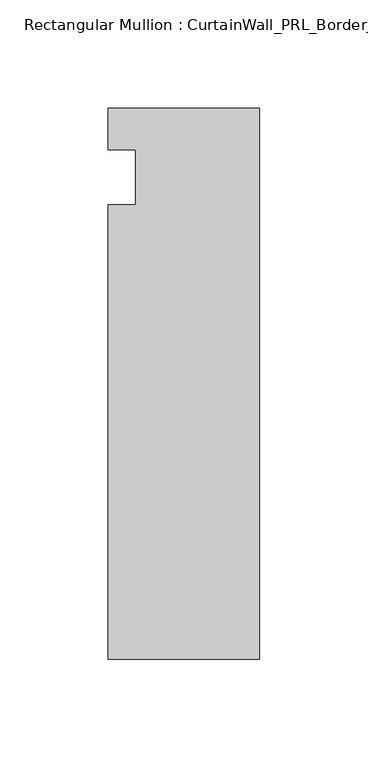
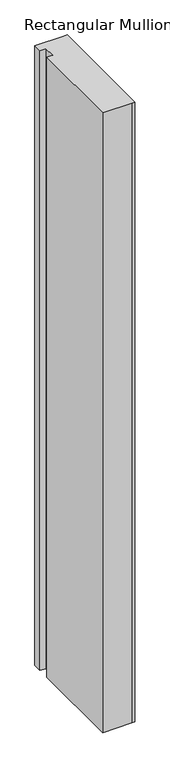
"""IFC4 building model written with IfcOpenShell, lengths in millimetres: member geometry, Rectangular Mullion : CurtainWall_PRL_BorderJamb_1002 Reverse."""

from ifc_helpers import new_model, si_unit, frame, origin, place, context, project, spatial, polyline, outline, extrude, source, transform, mapped, element, save


def rectangular_mullion_curtainwall_prl_borderjamb_1002_reverse_02b20b6e(model_context):
    return source(origin(), model_context, "Body", "SweptSolid", [
        extrude(outline(polyline([(-57.15, -12.7), (-57.15, 12.7), (-69.85, 12.7), (-69.85, 31.75), (-7.3958824, 31.75), (0.0, 31.75), (0.0, -222.25), (-6.35, -222.25), (-69.85, -222.25), (-69.85, -12.7), (-57.15, -12.7)])), frame((0.0, 0.0, -1422.4), z_axis=(0.0, 0.0, 1.0), x_axis=(1.0, 0.0, 0.0)), (0.0, 0.0, 1.0), 1422.4),
    ])


if __name__ == "__main__":
    model = new_model("IFC4")
    model_context = context("Model", 3, world=origin())
    ifc_project = project(units=[si_unit("LENGTHUNIT", "METRE", prefix="MILLI")], contexts=[model_context])
    site = spatial("IfcSite", under=ifc_project)
    building = spatial("IfcBuilding", under=site)
    placement = place(None, origin())
    rectangular_mullion_curtainwall_prl_borderjamb_1002_reverse_shape = rectangular_mullion_curtainwall_prl_borderjamb_1002_reverse_02b20b6e(model_context)
    element("IfcMember", 1, ObjectType="Rectangular Mullion : CurtainWall_PRL_BorderJamb_1002 Reverse", at=placement, inside=building, context=model_context, shape_type="MappedRepresentation", body=[
        mapped(rectangular_mullion_curtainwall_prl_borderjamb_1002_reverse_shape, transform((0.0, 0.0, 0.0), x_axis=(1.0, 0.0, 0.0), y_axis=(0.0, 1.0, 0.0), z_axis=(0.0, 0.0, 1.0))),
    ])
    save(model, "model.ifc")
